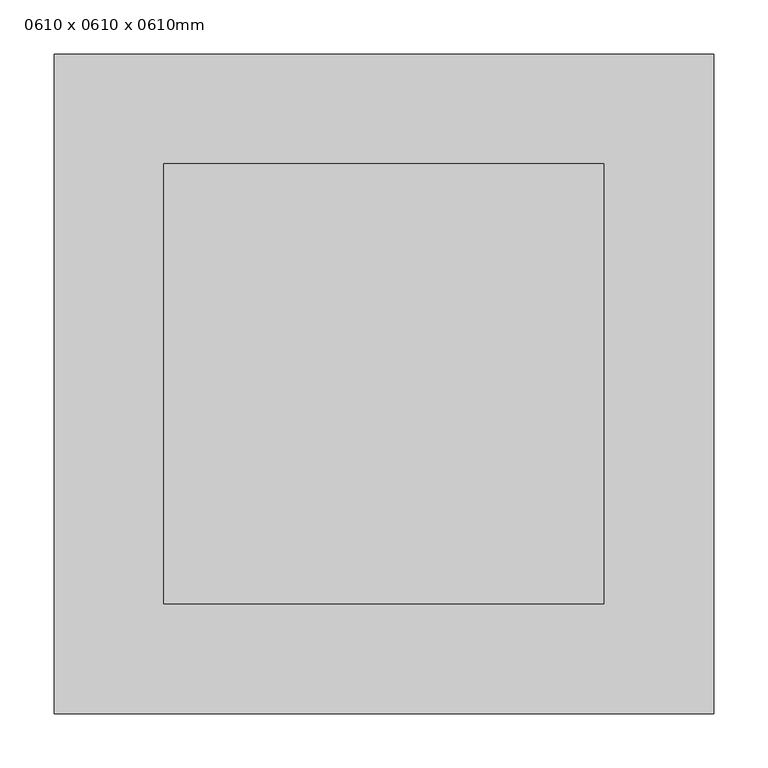
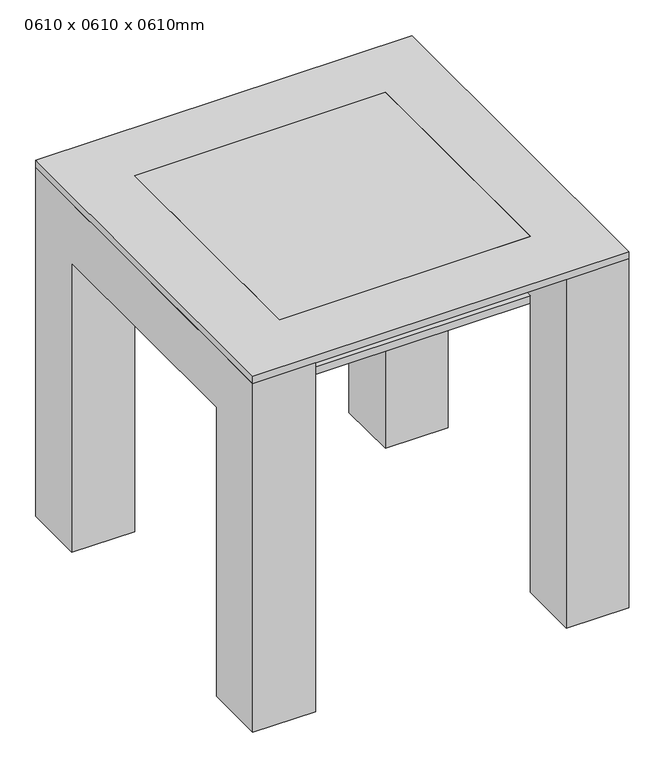
"""IFC4 building model written with IfcOpenShell, lengths in millimetres: furniture geometry, 0610 x 0610 x 0610mm."""

from ifc_helpers import new_model, si_unit, frame, origin, place, context, project, spatial, polyline, outline, extrude, source, transform, mapped, element, save


def furniture_0610_x_0610_x_0610mm_65ce43c2(model_context):
    return source(origin(), model_context, "Body", "SweptSolid", [
        extrude(outline(polyline([(221.6657667, 298.6110778), (221.6657667, -108.1889222), (-185.1342333, -108.1889222), (-185.1342333, 298.6110778), (221.6657667, 298.6110778)])), frame((0.0, 0.0, 495.7), z_axis=(0.0, 0.0, 1.0), x_axis=(1.0, 0.0, 0.0)), (0.0, 0.0, 1.0), 12.7),
        extrude(outline(polyline([(400.2110778, 0.0), (298.6110778, 0.0), (298.6110778, 495.7), (-108.1889222, 495.7), (-108.1889222, 0.0), (-209.7889222, 0.0), (-209.7889222, 597.3), (400.2110778, 597.3), (400.2110778, 0.0)])), frame((221.6657667, 0.0, 0.0), z_axis=(1.0, 0.0, 0.0), x_axis=(0.0, 1.0, 0.0)), (0.0, 0.0, 1.0), 101.6),
        extrude(outline(polyline([(400.2110778, 597.3), (400.2110778, 0.0), (298.6110778, 0.0), (298.6110778, 495.7), (-108.1889222, 495.7), (-108.1889222, 0.0), (-209.7889222, 0.0), (-209.7889222, 597.3), (400.2110778, 597.3)])), frame((-286.7342333, 0.0, 0.0), z_axis=(1.0, 0.0, 0.0), x_axis=(0.0, 1.0, 0.0)), (0.0, 0.0, 1.0), 101.6),
        extrude(outline(polyline([(221.6657667, 298.6110778), (221.6657667, -108.1889222), (-185.1342333, -108.1889222), (-185.1342333, 298.6110778), (221.6657667, 298.6110778)])), frame((0.0, 0.0, 597.3), z_axis=(0.0, 0.0, 1.0), x_axis=(1.0, 0.0, 0.0)), (0.0, 0.0, 1.0), 12.7),
        extrude(outline(polyline([(323.2657667, 400.2110778), (323.2657667, -209.7889222), (-286.7342333, -209.7889222), (-286.7342333, 400.2110778), (323.2657667, 400.2110778)]), holes=[polyline([(221.6657667, 298.6110778), (-185.1342333, 298.6110778), (-185.1342333, -108.1889222), (221.6657667, -108.1889222), (221.6657667, 298.6110778)])]), frame((0.0, 0.0, 597.3), z_axis=(0.0, 0.0, 1.0), x_axis=(1.0, 0.0, 0.0)), (0.0, 0.0, 1.0), 12.7),
    ])


if __name__ == "__main__":
    model = new_model("IFC4")
    model_context = context("Model", 3, world=origin())
    ifc_project = project(units=[si_unit("LENGTHUNIT", "METRE", prefix="MILLI")], contexts=[model_context])
    site = spatial("IfcSite", under=ifc_project)
    building = spatial("IfcBuilding", under=site)
    placement = place(None, origin())
    furniture_0610_x_0610_x_0610mm_shape = furniture_0610_x_0610_x_0610mm_65ce43c2(model_context)
    element("IfcFurniture", 1, ObjectType="0610 x 0610 x 0610mm", at=placement, inside=building, context=model_context, shape_type="MappedRepresentation", body=[
        mapped(furniture_0610_x_0610_x_0610mm_shape, transform((0.0, 0.0, 0.0), x_axis=(1.0, 0.0, 0.0), y_axis=(0.0, 1.0, 0.0), z_axis=(0.0, 0.0, 1.0))),
    ])
    save(model, "model.ifc")
